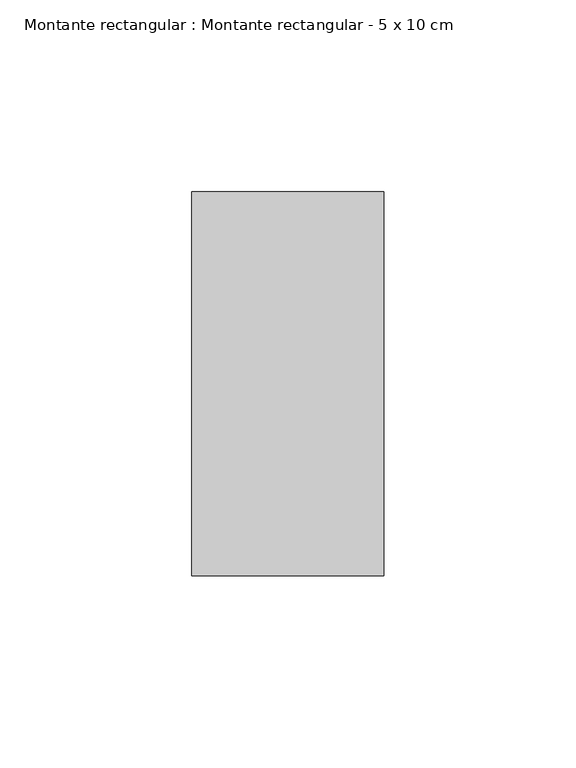
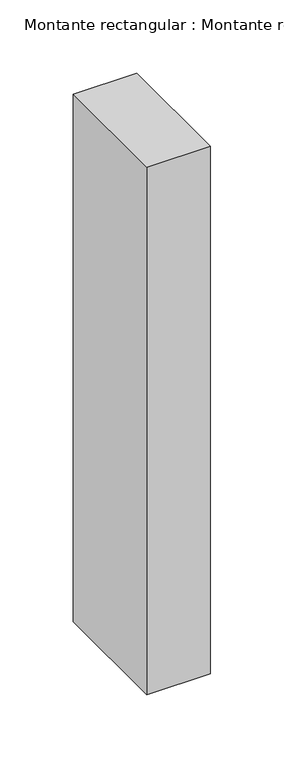
"""IFC4 building model written with IfcOpenShell, lengths in millimetres: member geometry, Montante rectangular : Montante rectangular - 5 x 10 cm."""

from ifc_helpers import new_model, si_unit, frame, origin, place, context, project, spatial, polyline, outline, extrude, source, transform, mapped, element, save


def montante_rectangular_montante_rectangular_5_x_10_cm_ad428f61(model_context):
    return source(origin(), model_context, "Body", "SweptSolid", [
        extrude(outline(polyline([(-50.0, 50.0), (0.0, 50.0), (0.0, -50.0), (-50.0, -50.0), (-50.0, 50.0)])), frame((0.0, 0.0, -439.0), z_axis=(0.0, 0.0, 1.0), x_axis=(1.0, 0.0, 0.0)), (0.0, 0.0, 1.0), 439.0),
    ])


if __name__ == "__main__":
    model = new_model("IFC4")
    model_context = context("Model", 3, world=origin())
    ifc_project = project(units=[si_unit("LENGTHUNIT", "METRE", prefix="MILLI")], contexts=[model_context])
    site = spatial("IfcSite", under=ifc_project)
    building = spatial("IfcBuilding", under=site)
    placement = place(None, origin())
    montante_rectangular_montante_rectangular_5_x_10_cm_shape = montante_rectangular_montante_rectangular_5_x_10_cm_ad428f61(model_context)
    element("IfcMember", 1, ObjectType="Montante rectangular : Montante rectangular - 5 x 10 cm", at=placement, inside=building, context=model_context, shape_type="MappedRepresentation", body=[
        mapped(montante_rectangular_montante_rectangular_5_x_10_cm_shape, transform((0.0, 0.0, 0.0), x_axis=(1.0, 0.0, 0.0), y_axis=(0.0, 1.0, 0.0), z_axis=(0.0, 0.0, 1.0))),
    ])
    save(model, "model.ifc")
